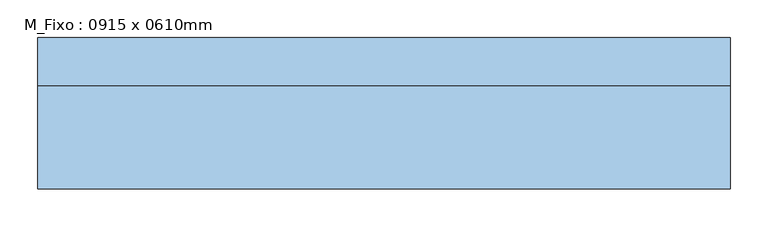
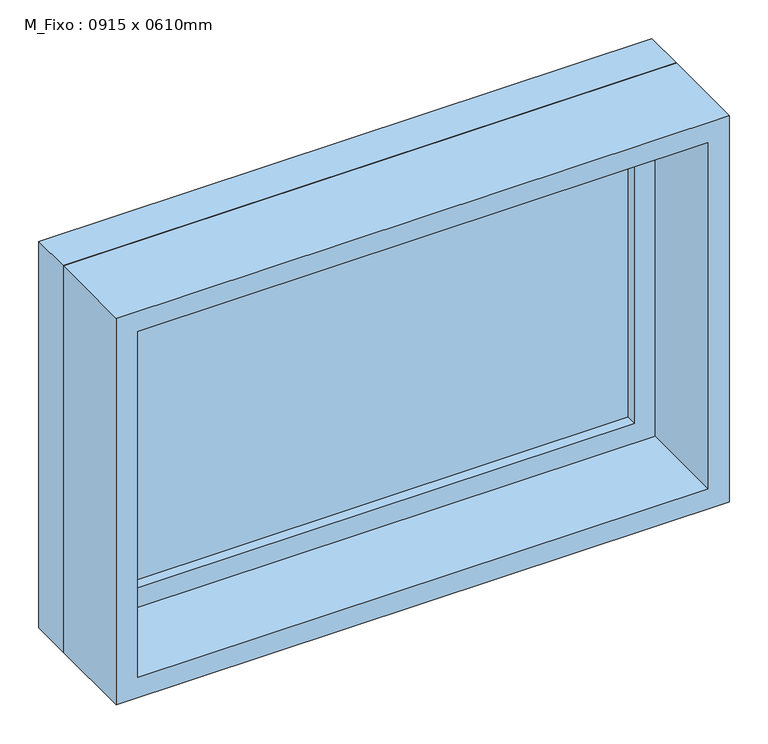
"""IFC4 building model written with IfcOpenShell, lengths in millimetres: window geometry, M_Fixo : 0915 x 0610mm."""

from ifc_helpers import new_model, si_unit, frame, origin, place, context, project, spatial, polyline, outline, extrude, source, transform, mapped, element, save


def m_fixo_0915_x_0610mm_70a843a6(model_context):
    return source(origin(), model_context, "Body", "SweptSolid", [
        extrude(outline(polyline([(-394.5, 78.0), (394.5, 78.0), (394.5, 66.0), (-394.5, 66.0), (-394.5, 78.0)])), frame((0.0, 0.0, 978.0), z_axis=(0.0, 0.0, 1.0), x_axis=(1.0, 0.0, 0.0)), (0.0, 0.0, 1.0), 484.0),
        extrude(outline(polyline([(1506.0, -438.5), (934.0, -438.5), (934.0, 438.5), (1506.0, 438.5), (1506.0, -438.5)]), holes=[polyline([(1462.0, -394.5), (1462.0, 394.5), (978.0, 394.5), (978.0, -394.5), (1462.0, -394.5)])]), frame((0.0, 50.0, 0.0), z_axis=(0.0, 1.0, 0.0), x_axis=(0.0, 0.0, 1.0)), (0.0, 0.0, 1.0), 44.0),
        extrude(outline(polyline([(1525.0, -457.5), (915.0, -457.5), (915.0, 457.5), (1525.0, 457.5), (1525.0, -457.5)]), holes=[polyline([(1506.0, -438.5), (1506.0, 438.5), (934.0, 438.5), (934.0, -438.5), (1506.0, -438.5)])]), frame((0.0, 50.0, 0.0), z_axis=(0.0, 1.0, 0.0), x_axis=(0.0, 0.0, 1.0)), (0.0, 0.0, 1.0), 63.0),
        extrude(outline(polyline([(1525.0, -457.5), (915.0, -457.5), (915.0, 457.5), (1525.0, 457.5), (1525.0, -457.5)]), holes=[polyline([(1493.0, -425.5), (1493.0, 425.5), (947.0, 425.5), (947.0, -425.5), (1493.0, -425.5)])]), frame((0.0, -87.0, 0.0), z_axis=(0.0, 1.0, 0.0), x_axis=(0.0, 0.0, 1.0)), (0.0, 0.0, 1.0), 137.0),
    ])


if __name__ == "__main__":
    model = new_model("IFC4")
    model_context = context("Model", 3, world=origin())
    ifc_project = project(units=[si_unit("LENGTHUNIT", "METRE", prefix="MILLI")], contexts=[model_context])
    site = spatial("IfcSite", under=ifc_project)
    building = spatial("IfcBuilding", under=site)
    placement = place(None, origin())
    m_fixo_0915_x_0610mm_shape = m_fixo_0915_x_0610mm_70a843a6(model_context)
    element("IfcWindow", 1, ObjectType="M_Fixo : 0915 x 0610mm", at=placement, inside=building, context=model_context, shape_type="MappedRepresentation", body=[
        mapped(m_fixo_0915_x_0610mm_shape, transform((0.0, 0.0, 0.0), x_axis=(1.0, 0.0, 0.0), y_axis=(0.0, 1.0, 0.0), z_axis=(0.0, 0.0, 1.0))),
    ])
    save(model, "model.ifc")
